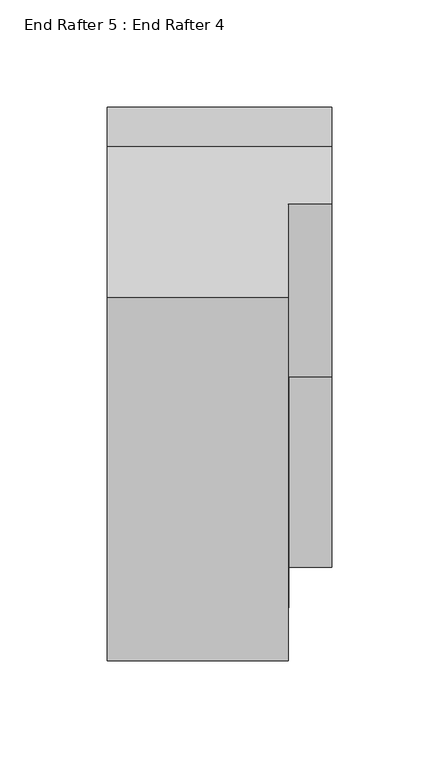
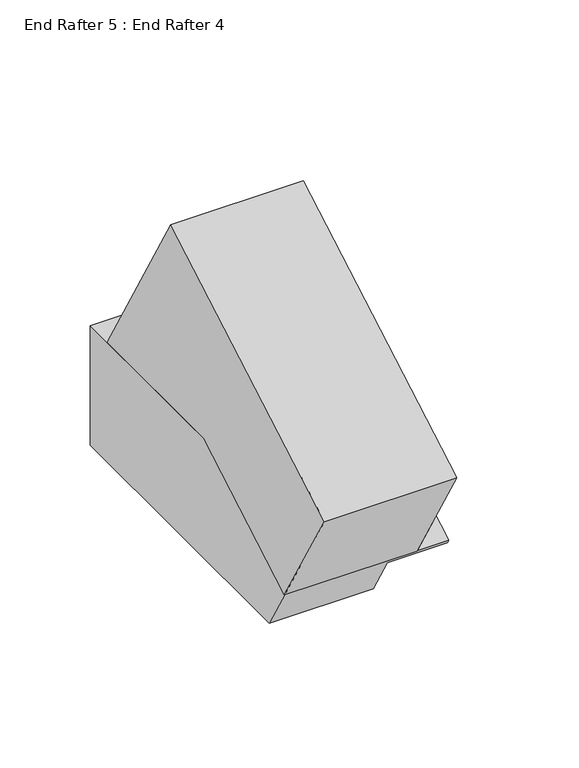
"""IFC4 building model written with IfcOpenShell, lengths in millimetres: proxy geometry, End Rafter 5 : End Rafter 4."""

from ifc_helpers import new_model, si_unit, origin, place, context, project, spatial, faceted_brep, source, transform, mapped, element, save


def end_rafter_5_end_rafter_4_b52f2772(model_context):
    return source(origin(), model_context, "Body", "Brep", [
        faceted_brep([(12080.2539169, -22392.3276293, -36.9430969), (12080.2539169, -22284.8878251, -36.9430969), (12080.2539169, -22311.7477761, 9.579703), (12059.99903, -22392.3276293, -36.9430969), (12059.99903, -22391.8671356, -36.9430969), (11975.3026877, -22391.8671356, -36.9430969), (11975.3026877, -22284.8878251, -36.9430969), (12059.99903, -22311.8109847, 9.5432095), (12059.99903, -22355.5782203, 85.3502853), (12059.99903, -22525.1810197, -12.5699365), (12059.99903, -22481.2986607, -88.576412), (11975.3026877, -22355.5782203, 85.3502853), (11975.3026877, -22525.1810197, -12.5699365), (11975.3026877, -22481.2986607, -88.576412)], [[[0, 1, 2]], [[1, 0, 3, 4, 5, 6]], [[0, 2, 7, 3]], [[8, 9, 10, 4, 3, 7]], [[9, 8, 11, 12]], [[10, 9, 12, 13]], [[10, 13, 5, 4]], [[6, 11, 8, 7, 2, 1]], [[13, 12, 11, 6, 5]]]),
        faceted_brep([(11975.3026877, -22500.2724536, -36.9430969), (11975.3026877, -22500.2724536, -55.721214), (12060.1169562, -22500.2724536, -55.721214), (12060.1169562, -22500.2724536, -36.9430969), (12080.2539169, -22266.3738341, -36.9430969), (12080.2539169, -22266.3738341, -90.9180969), (12041.8101612, -22266.3738341, -90.9180969), (12041.8101612, -22266.3738341, -117.9055969), (11975.3026877, -22266.3738341, -117.9055969), (11975.3026877, -22266.3738341, -36.9430969), (12060.1169562, -22392.3276293, -36.9430969), (12080.2539169, -22392.3276293, -36.9430969), (11975.3026877, -22464.3611313, -117.9055969), (12041.8101612, -22464.3611313, -117.9055969), (12041.8101612, -22479.9463436, -90.9180969), (12080.2539169, -22479.9463436, -90.9180969), (12080.2539169, -22481.4138061, -88.3770251), (12060.1169562, -22481.4138061, -88.3770251)], [[[0, 1, 2, 3]], [[4, 5, 6, 7, 8, 9]], [[4, 9, 0, 3, 10, 11]], [[9, 8, 12, 1, 0]], [[8, 7, 13, 12]], [[7, 6, 14, 13]], [[6, 5, 15, 14]], [[5, 4, 11, 16, 15]], [[1, 12, 13, 14, 15, 16, 17, 2]], [[17, 10, 3, 2]], [[10, 17, 16, 11]]]),
    ])


if __name__ == "__main__":
    model = new_model("IFC4")
    model_context = context("Model", 3, world=origin())
    ifc_project = project(units=[si_unit("LENGTHUNIT", "METRE", prefix="MILLI")], contexts=[model_context])
    site = spatial("IfcSite", under=ifc_project)
    building = spatial("IfcBuilding", under=site)
    placement = place(None, origin())
    end_rafter_5_end_rafter_4_shape = end_rafter_5_end_rafter_4_b52f2772(model_context)
    element("IfcBuildingElementProxy", 1, Name="End Rafter 5 : End Rafter 4", ObjectType="End Rafter 5 : End Rafter 4", at=placement, inside=building, context=model_context, shape_type="MappedRepresentation", body=[
        mapped(end_rafter_5_end_rafter_4_shape, transform((0.0, 0.0, 0.0), x_axis=(1.0, 0.0, 0.0), y_axis=(0.0, 1.0, 0.0), z_axis=(0.0, 0.0, 1.0))),
    ])
    save(model, "model.ifc")
